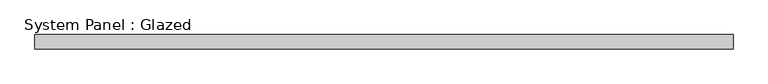
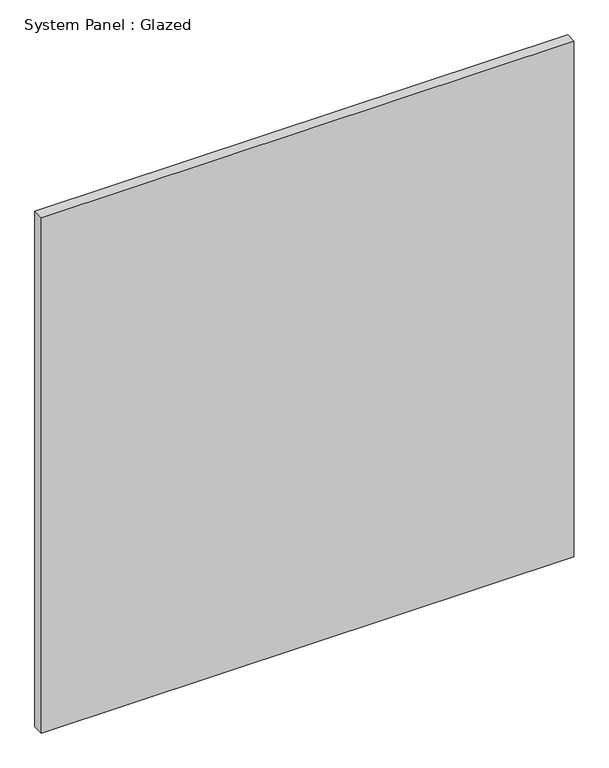
"""IFC4 building model written with IfcOpenShell, lengths in millimetres: plate geometry, System Panel : Glazed."""

from ifc_helpers import new_model, si_unit, origin, origin_with_axes, place, context, project, spatial, polyline, outline, extrude, source, transform, mapped, element, save


def system_panel_glazed_5ddaf166(model_context):
    return source(origin(), model_context, "Body", "SweptSolid", [
        extrude(outline(polyline([(623.9022726, 19.05), (-623.9022726, 19.05), (-623.9022726, 44.45), (623.9022726, 44.45), (623.9022726, 19.05)])), origin_with_axes(), (0.0, 0.0, 1.0), 1276.35),
    ])


if __name__ == "__main__":
    model = new_model("IFC4")
    model_context = context("Model", 3, world=origin())
    ifc_project = project(units=[si_unit("LENGTHUNIT", "METRE", prefix="MILLI")], contexts=[model_context])
    site = spatial("IfcSite", under=ifc_project)
    building = spatial("IfcBuilding", under=site)
    placement = place(None, origin())
    system_panel_glazed_shape = system_panel_glazed_5ddaf166(model_context)
    element("IfcPlate", 1, ObjectType="System Panel : Glazed", at=placement, inside=building, context=model_context, shape_type="MappedRepresentation", body=[
        mapped(system_panel_glazed_shape, transform((0.0, 0.0, 0.0), x_axis=(1.0, 0.0, 0.0), y_axis=(0.0, 1.0, 0.0), z_axis=(0.0, 0.0, 1.0))),
    ])
    save(model, "model.ifc")
